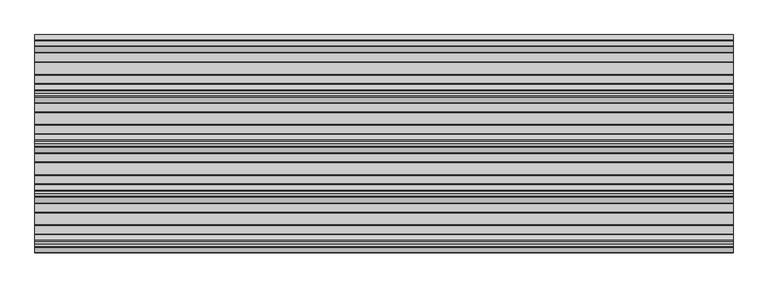
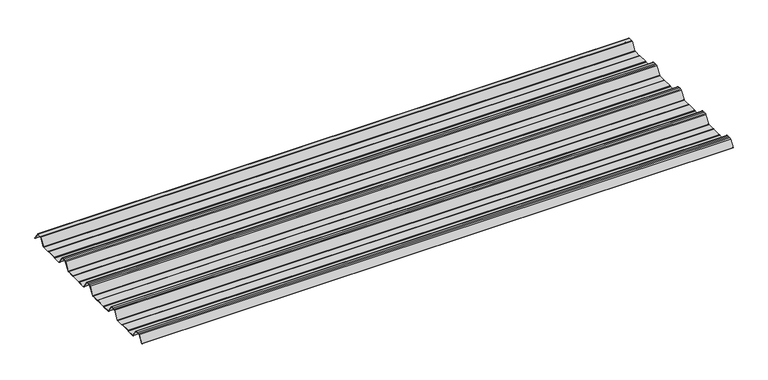
"""IFC4 building model written with IfcOpenShell, lengths in millimetres: beam geometry."""

from ifc_helpers import new_model, si_unit, point, frame, frame_2d, origin, place, context, project, spatial, polyline, circle_curve, trimmed, segment, composite_curve, outline, extrude, source, transform, mapped, element, save


def beam_8e176f82(model_context):
    return source(origin(), model_context, "Body", "SweptSolid", [
        extrude(outline(composite_curve([segment(trimmed(circle_curve(frame_2d((-42.8221294, -22.7927378)), 1.9969096), [point((-42.8221294, -24.7896475))], [point((-41.1570881, -23.8951378))], True, "CARTESIAN"), True, "CONTINUOUS"), segment(polyline([(-41.1570881, -23.8951378), (-15.2135106, 15.2894853)]), True, "CONTINUOUS"), segment(trimmed(circle_curve(frame_2d((-11.5, 12.6603525)), 4.55), [point((-15.2135106, 15.2894853))], [point((-11.5, 17.2103525))], False, "CARTESIAN"), True, "CONTINUOUS"), segment(polyline([(-11.5, 17.2103525), (11.5, 17.2103525)]), True, "CONTINUOUS"), segment(trimmed(circle_curve(frame_2d((11.5, 12.6603525)), 4.55), [point((11.5, 17.2103525))], [point((15.2135106, 15.2894853))], False, "CARTESIAN"), True, "CONTINUOUS"), segment(polyline([(15.2135106, 15.2894853), (40.2177712, -22.4764137)]), True, "CONTINUOUS"), segment(trimmed(circle_curve(frame_2d((39.8008667, -22.7524402)), 0.5), [point((40.2177712, -22.4764137))], [point((39.3839622, -23.0284667))], False, "CARTESIAN"), True, "CONTINUOUS"), segment(polyline([(39.3839622, -23.0284667), (14.3888612, 14.7235977)]), True, "CONTINUOUS"), segment(trimmed(circle_curve(frame_2d((11.5, 12.6603525)), 3.55), [point((14.3888612, 14.7235977))], [point((11.5, 16.2103525))], True, "CARTESIAN"), True, "CONTINUOUS"), segment(polyline([(11.5, 16.2103525), (-11.5, 16.2103525)]), True, "CONTINUOUS"), segment(trimmed(circle_curve(frame_2d((-11.5, 12.6603525)), 3.55), [point((-11.5, 16.2103525))], [point((-14.3888612, 14.7235977))], True, "CARTESIAN"), True, "CONTINUOUS"), segment(polyline([(-14.3888612, 14.7235977), (-40.3232791, -24.4471908)]), True, "CONTINUOUS"), segment(trimmed(circle_curve(frame_2d((-42.8221294, -22.7927378)), 2.9969096), [point((-40.3232791, -24.4471908))], [point((-42.8221294, -25.7896475))], False, "CARTESIAN"), True, "CONTINUOUS"), segment(polyline([(-42.8221294, -25.7896475), (-85.388552, -25.7896475)]), True, "CONTINUOUS"), segment(trimmed(circle_curve(frame_2d((-85.388552, -24.3396475)), 1.45), [point((-85.388552, -25.7896475))], [point((-86.3205937, -25.4504122))], False, "CARTESIAN"), True, "CONTINUOUS"), segment(polyline([(-86.3205937, -25.4504122), (-87.5888326, -24.386234)]), True, "CONTINUOUS"), segment(trimmed(circle_curve(frame_2d((-89.2279412, -26.3396487)), 2.5500012), [point((-87.5888326, -24.386234))], [point((-89.2279412, -23.7896475))], True, "CARTESIAN"), True, "CONTINUOUS"), segment(polyline([(-89.2279412, -23.7896475), (-143.2720588, -23.7896475)]), True, "CONTINUOUS"), segment(trimmed(circle_curve(frame_2d((-143.2720588, -26.3396487)), 2.5500012), [point((-143.2720588, -23.7896475))], [point((-144.9111674, -24.386234))], True, "CARTESIAN"), True, "CONTINUOUS"), segment(polyline([(-144.9111674, -24.386234), (-146.1794063, -25.4504122)]), True, "CONTINUOUS"), segment(trimmed(circle_curve(frame_2d((-147.111448, -24.3396475)), 1.45), [point((-146.1794063, -25.4504122))], [point((-147.111448, -25.7896475))], False, "CARTESIAN"), True, "CONTINUOUS"), segment(polyline([(-147.111448, -25.7896475), (-186.4999995, -25.7896475)]), True, "CONTINUOUS"), segment(trimmed(circle_curve(frame_2d((-186.4999995, -21.3396478)), 4.4499996), [point((-186.4999995, -25.7896475))], [point((-190.1531515, -23.8807062))], False, "CARTESIAN"), True, "CONTINUOUS"), segment(polyline([(-190.1531515, -23.8807062), (-216.4608773, 15.8539187)]), True, "CONTINUOUS"), segment(trimmed(circle_curve(frame_2d((-221.0, 12.6603525)), 5.55), [point((-216.4608773, 15.8539187))], [point((-221.0, 18.2103525))], True, "CARTESIAN"), True, "CONTINUOUS"), segment(polyline([(-221.0, 18.2103525), (-232.5, 18.2103525), (-244.0, 18.2103525)]), True, "CONTINUOUS"), segment(trimmed(circle_curve(frame_2d((-244.0, 12.6603525)), 5.55), [point((-244.0, 18.2103525))], [point((-248.5391227, 15.8539187))], True, "CARTESIAN"), True, "CONTINUOUS"), segment(polyline([(-248.5391227, 15.8539187), (-274.8468485, -23.8807062)]), True, "CONTINUOUS"), segment(trimmed(circle_curve(frame_2d((-278.5000005, -21.3396478)), 4.4499996), [point((-274.8468485, -23.8807062))], [point((-278.5000005, -25.7896475))], False, "CARTESIAN"), True, "CONTINUOUS"), segment(polyline([(-278.5000005, -25.7896475), (-317.888552, -25.7896475)]), True, "CONTINUOUS"), segment(trimmed(circle_curve(frame_2d((-317.888552, -24.3396475)), 1.45), [point((-317.888552, -25.7896475))], [point((-318.8205937, -25.4504122))], False, "CARTESIAN"), True, "CONTINUOUS"), segment(polyline([(-318.8205937, -25.4504122), (-320.0888326, -24.386234)]), True, "CONTINUOUS"), segment(trimmed(circle_curve(frame_2d((-321.7279412, -26.3396487)), 2.5500012), [point((-320.0888326, -24.386234))], [point((-321.7279412, -23.7896475))], True, "CARTESIAN"), True, "CONTINUOUS"), segment(polyline([(-321.7279412, -23.7896475), (-375.7720588, -23.7896475)]), True, "CONTINUOUS"), segment(trimmed(circle_curve(frame_2d((-375.7720588, -26.3396487)), 2.5500012), [point((-375.7720588, -23.7896475))], [point((-377.4111674, -24.386234))], True, "CARTESIAN"), True, "CONTINUOUS"), segment(polyline([(-377.4111674, -24.386234), (-378.6794063, -25.4504122)]), True, "CONTINUOUS"), segment(trimmed(circle_curve(frame_2d((-379.611448, -24.3396475)), 1.45), [point((-378.6794063, -25.4504122))], [point((-379.611448, -25.7896475))], False, "CARTESIAN"), True, "CONTINUOUS"), segment(polyline([(-379.611448, -25.7896475), (-418.9999995, -25.7896475)]), True, "CONTINUOUS"), segment(trimmed(circle_curve(frame_2d((-418.9999995, -21.3396478)), 4.4499996), [point((-418.9999995, -25.7896475))], [point((-422.6531515, -23.8807062))], False, "CARTESIAN"), True, "CONTINUOUS"), segment(polyline([(-422.6531515, -23.8807062), (-448.9608773, 15.8539187)]), True, "CONTINUOUS"), segment(trimmed(circle_curve(frame_2d((-453.5, 12.6603525)), 5.55), [point((-448.9608773, 15.8539187))], [point((-453.5, 18.2103525))], True, "CARTESIAN"), True, "CONTINUOUS"), segment(polyline([(-453.5, 18.2103525), (-465.0, 18.2103525), (-476.5, 18.2103525)]), True, "CONTINUOUS"), segment(trimmed(circle_curve(frame_2d((-476.5, 12.6603525)), 5.55), [point((-476.5, 18.2103525))], [point((-481.0391227, 15.8539187))], True, "CARTESIAN"), True, "CONTINUOUS"), segment(polyline([(-481.0391227, 15.8539187), (-507.3468485, -23.8807062)]), True, "CONTINUOUS"), segment(trimmed(circle_curve(frame_2d((-511.0000005, -21.3396478)), 4.4499996), [point((-507.3468485, -23.8807062))], [point((-511.0000005, -25.7896475))], False, "CARTESIAN"), True, "CONTINUOUS"), segment(polyline([(-511.0000005, -25.7896475), (-550.388552, -25.7896475)]), True, "CONTINUOUS"), segment(trimmed(circle_curve(frame_2d((-550.388552, -24.3396475)), 1.45), [point((-550.388552, -25.7896475))], [point((-551.3205937, -25.4504122))], False, "CARTESIAN"), True, "CONTINUOUS"), segment(polyline([(-551.3205937, -25.4504122), (-552.5888326, -24.386234)]), True, "CONTINUOUS"), segment(trimmed(circle_curve(frame_2d((-554.2279412, -26.3396487)), 2.5500012), [point((-552.5888326, -24.386234))], [point((-554.2279412, -23.7896475))], True, "CARTESIAN"), True, "CONTINUOUS"), segment(polyline([(-554.2279412, -23.7896475), (-608.2720588, -23.7896475)]), True, "CONTINUOUS"), segment(trimmed(circle_curve(frame_2d((-608.2720588, -26.3396487)), 2.5500012), [point((-608.2720588, -23.7896475))], [point((-609.9111674, -24.386234))], True, "CARTESIAN"), True, "CONTINUOUS"), segment(polyline([(-609.9111674, -24.386234), (-611.1794063, -25.4504122)]), True, "CONTINUOUS"), segment(trimmed(circle_curve(frame_2d((-612.111448, -24.3396475)), 1.45), [point((-611.1794063, -25.4504122))], [point((-612.111448, -25.7896475))], False, "CARTESIAN"), True, "CONTINUOUS"), segment(polyline([(-612.111448, -25.7896475), (-651.4999995, -25.7896475)]), True, "CONTINUOUS"), segment(trimmed(circle_curve(frame_2d((-651.4999995, -21.3396478)), 4.4499996), [point((-651.4999995, -25.7896475))], [point((-655.1531515, -23.8807062))], False, "CARTESIAN"), True, "CONTINUOUS"), segment(polyline([(-655.1531515, -23.8807062), (-681.4608773, 15.8539187)]), True, "CONTINUOUS"), segment(trimmed(circle_curve(frame_2d((-686.0, 12.6603525)), 5.55), [point((-681.4608773, 15.8539187))], [point((-686.0, 18.2103525))], True, "CARTESIAN"), True, "CONTINUOUS"), segment(polyline([(-686.0, 18.2103525), (-697.5, 18.2103525), (-709.0, 18.2103525)]), True, "CONTINUOUS"), segment(trimmed(circle_curve(frame_2d((-709.0, 12.6603525)), 5.55), [point((-709.0, 18.2103525))], [point((-713.5391227, 15.8539187))], True, "CARTESIAN"), True, "CONTINUOUS"), segment(polyline([(-713.5391227, 15.8539187), (-739.8468485, -23.8807062)]), True, "CONTINUOUS"), segment(trimmed(circle_curve(frame_2d((-743.5000005, -21.3396478)), 4.4499996), [point((-739.8468485, -23.8807062))], [point((-743.5000005, -25.7896475))], False, "CARTESIAN"), True, "CONTINUOUS"), segment(polyline([(-743.5000005, -25.7896475), (-782.888552, -25.7896475)]), True, "CONTINUOUS"), segment(trimmed(circle_curve(frame_2d((-782.888552, -24.3396475)), 1.45), [point((-782.888552, -25.7896475))], [point((-783.8205937, -25.4504122))], False, "CARTESIAN"), True, "CONTINUOUS"), segment(polyline([(-783.8205937, -25.4504122), (-785.0888326, -24.386234)]), True, "CONTINUOUS"), segment(trimmed(circle_curve(frame_2d((-786.7279412, -26.3396487)), 2.5500012), [point((-785.0888326, -24.386234))], [point((-786.7279412, -23.7896475))], True, "CARTESIAN"), True, "CONTINUOUS"), segment(polyline([(-786.7279412, -23.7896475), (-840.7720588, -23.7896475)]), True, "CONTINUOUS"), segment(trimmed(circle_curve(frame_2d((-840.7720588, -26.3396487)), 2.5500012), [point((-840.7720588, -23.7896475))], [point((-842.4111674, -24.386234))], True, "CARTESIAN"), True, "CONTINUOUS"), segment(polyline([(-842.4111674, -24.386234), (-843.6794063, -25.4504122)]), True, "CONTINUOUS"), segment(trimmed(circle_curve(frame_2d((-844.611448, -24.3396475)), 1.45), [point((-843.6794063, -25.4504122))], [point((-844.611448, -25.7896475))], False, "CARTESIAN"), True, "CONTINUOUS"), segment(polyline([(-844.611448, -25.7896475), (-883.9999995, -25.7896475)]), True, "CONTINUOUS"), segment(trimmed(circle_curve(frame_2d((-883.9999995, -21.3396478)), 4.4499996), [point((-883.9999995, -25.7896475))], [point((-887.6531515, -23.8807062))], False, "CARTESIAN"), True, "CONTINUOUS"), segment(polyline([(-887.6531515, -23.8807062), (-913.9608773, 15.8539187)]), True, "CONTINUOUS"), segment(trimmed(circle_curve(frame_2d((-918.5, 12.6603525)), 5.55), [point((-913.9608773, 15.8539187))], [point((-918.5, 18.2103525))], True, "CARTESIAN"), True, "CONTINUOUS"), segment(polyline([(-918.5, 18.2103525), (-930.0, 18.2103525), (-941.5, 18.2103525)]), True, "CONTINUOUS"), segment(trimmed(circle_curve(frame_2d((-941.5, 12.6603525)), 5.55), [point((-941.5, 18.2103525))], [point((-946.0391227, 15.8539187))], True, "CARTESIAN"), True, "CONTINUOUS"), segment(polyline([(-946.0391227, 15.8539187), (-969.9715304, -20.2930766)]), True, "CONTINUOUS"), segment(trimmed(circle_curve(frame_2d((-970.3884349, -20.0170501)), 0.5), [point((-969.9715304, -20.2930766))], [point((-970.8053395, -19.7410236))], False, "CARTESIAN"), True, "CONTINUOUS"), segment(polyline([(-970.8053395, -19.7410236), (-946.8654458, 16.4172784)]), True, "CONTINUOUS"), segment(trimmed(circle_curve(frame_2d((-941.5, 12.6603525)), 6.55), [point((-946.8654458, 16.4172784))], [point((-941.5, 19.2103525))], False, "CARTESIAN"), True, "CONTINUOUS"), segment(polyline([(-941.5, 19.2103525), (-930.0, 19.2103525), (-918.5, 19.2103525)]), True, "CONTINUOUS"), segment(trimmed(circle_curve(frame_2d((-918.5, 12.6603525)), 6.55), [point((-918.5, 19.2103525))], [point((-913.1345542, 16.4172784))], False, "CARTESIAN"), True, "CONTINUOUS"), segment(polyline([(-913.1345542, 16.4172784), (-886.8260739, -23.3184861)]), True, "CONTINUOUS"), segment(trimmed(circle_curve(frame_2d((-883.9999995, -21.3396478)), 3.4499996), [point((-886.8260739, -23.3184861))], [point((-883.9999995, -24.7896475))], True, "CARTESIAN"), True, "CONTINUOUS"), segment(polyline([(-883.9999995, -24.7896475), (-844.8915726, -24.7896475)]), True, "CONTINUOUS"), segment(trimmed(circle_curve(frame_2d((-844.8915726, -23.5700111)), 1.2196364), [point((-844.8915726, -24.7896475))], [point((-844.1076057, -24.504307))], True, "CARTESIAN"), True, "CONTINUOUS"), segment(polyline([(-844.1076057, -24.504307), (-843.0539548, -23.6201894)]), True, "CONTINUOUS"), segment(trimmed(circle_curve(frame_2d((-840.7720588, -26.3396487)), 3.5500012), [point((-843.0539548, -23.6201894))], [point((-840.7720588, -22.7896475))], False, "CARTESIAN"), True, "CONTINUOUS"), segment(polyline([(-840.7720588, -22.7896475), (-786.7279412, -22.7896475)]), True, "CONTINUOUS"), segment(trimmed(circle_curve(frame_2d((-786.7279412, -26.3396487)), 3.5500012), [point((-786.7279412, -22.7896475))], [point((-784.4460452, -23.6201894))], False, "CARTESIAN"), True, "CONTINUOUS"), segment(polyline([(-784.4460452, -23.6201894), (-783.3923943, -24.504307)]), True, "CONTINUOUS"), segment(trimmed(circle_curve(frame_2d((-782.6084274, -23.5700111)), 1.2196364), [point((-783.3923943, -24.504307))], [point((-782.6084274, -24.7896475))], True, "CARTESIAN"), True, "CONTINUOUS"), segment(polyline([(-782.6084274, -24.7896475), (-743.5000005, -24.7896475)]), True, "CONTINUOUS"), segment(trimmed(circle_curve(frame_2d((-743.5000005, -21.3396478)), 3.4499996), [point((-743.5000005, -24.7896475))], [point((-740.6739261, -23.3184861))], True, "CARTESIAN"), True, "CONTINUOUS"), segment(polyline([(-740.6739261, -23.3184861), (-714.3654458, 16.4172784)]), True, "CONTINUOUS"), segment(trimmed(circle_curve(frame_2d((-709.0, 12.6603525)), 6.55), [point((-714.3654458, 16.4172784))], [point((-709.0, 19.2103525))], False, "CARTESIAN"), True, "CONTINUOUS"), segment(polyline([(-709.0, 19.2103525), (-697.5, 19.2103525), (-686.0, 19.2103525)]), True, "CONTINUOUS"), segment(trimmed(circle_curve(frame_2d((-686.0, 12.6603525)), 6.55), [point((-686.0, 19.2103525))], [point((-680.6345542, 16.4172784))], False, "CARTESIAN"), True, "CONTINUOUS"), segment(polyline([(-680.6345542, 16.4172784), (-654.3260739, -23.3184861)]), True, "CONTINUOUS"), segment(trimmed(circle_curve(frame_2d((-651.4999995, -21.3396478)), 3.4499996), [point((-654.3260739, -23.3184861))], [point((-651.4999995, -24.7896475))], True, "CARTESIAN"), True, "CONTINUOUS"), segment(polyline([(-651.4999995, -24.7896475), (-612.3915726, -24.7896475)]), True, "CONTINUOUS"), segment(trimmed(circle_curve(frame_2d((-612.3915726, -23.5700111)), 1.2196364), [point((-612.3915726, -24.7896475))], [point((-611.6076057, -24.504307))], True, "CARTESIAN"), True, "CONTINUOUS"), segment(polyline([(-611.6076057, -24.504307), (-610.5539548, -23.6201894)]), True, "CONTINUOUS"), segment(trimmed(circle_curve(frame_2d((-608.2720588, -26.3396487)), 3.5500012), [point((-610.5539548, -23.6201894))], [point((-608.2720588, -22.7896475))], False, "CARTESIAN"), True, "CONTINUOUS"), segment(polyline([(-608.2720588, -22.7896475), (-554.2279412, -22.7896475)]), True, "CONTINUOUS"), segment(trimmed(circle_curve(frame_2d((-554.2279412, -26.3396487)), 3.5500012), [point((-554.2279412, -22.7896475))], [point((-551.9460452, -23.6201894))], False, "CARTESIAN"), True, "CONTINUOUS"), segment(polyline([(-551.9460452, -23.6201894), (-550.8923943, -24.504307)]), True, "CONTINUOUS"), segment(trimmed(circle_curve(frame_2d((-550.1084274, -23.5700111)), 1.2196364), [point((-550.8923943, -24.504307))], [point((-550.1084274, -24.7896475))], True, "CARTESIAN"), True, "CONTINUOUS"), segment(polyline([(-550.1084274, -24.7896475), (-511.0000005, -24.7896475)]), True, "CONTINUOUS"), segment(trimmed(circle_curve(frame_2d((-511.0000005, -21.3396478)), 3.4499996), [point((-511.0000005, -24.7896475))], [point((-508.1739261, -23.3184861))], True, "CARTESIAN"), True, "CONTINUOUS"), segment(polyline([(-508.1739261, -23.3184861), (-481.8654458, 16.4172784)]), True, "CONTINUOUS"), segment(trimmed(circle_curve(frame_2d((-476.5, 12.6603525)), 6.55), [point((-481.8654458, 16.4172784))], [point((-476.5, 19.2103525))], False, "CARTESIAN"), True, "CONTINUOUS"), segment(polyline([(-476.5, 19.2103525), (-465.0, 19.2103525), (-453.5, 19.2103525)]), True, "CONTINUOUS"), segment(trimmed(circle_curve(frame_2d((-453.5, 12.6603525)), 6.55), [point((-453.5, 19.2103525))], [point((-448.1345542, 16.4172784))], False, "CARTESIAN"), True, "CONTINUOUS"), segment(polyline([(-448.1345542, 16.4172784), (-421.8260739, -23.3184861)]), True, "CONTINUOUS"), segment(trimmed(circle_curve(frame_2d((-418.9999995, -21.3396478)), 3.4499996), [point((-421.8260739, -23.3184861))], [point((-418.9999995, -24.7896475))], True, "CARTESIAN"), True, "CONTINUOUS"), segment(polyline([(-418.9999995, -24.7896475), (-379.8915726, -24.7896475)]), True, "CONTINUOUS"), segment(trimmed(circle_curve(frame_2d((-379.8915726, -23.5700111)), 1.2196364), [point((-379.8915726, -24.7896475))], [point((-379.1076057, -24.504307))], True, "CARTESIAN"), True, "CONTINUOUS"), segment(polyline([(-379.1076057, -24.504307), (-378.0539548, -23.6201894)]), True, "CONTINUOUS"), segment(trimmed(circle_curve(frame_2d((-375.7720588, -26.3396487)), 3.5500012), [point((-378.0539548, -23.6201894))], [point((-375.7720588, -22.7896475))], False, "CARTESIAN"), True, "CONTINUOUS"), segment(polyline([(-375.7720588, -22.7896475), (-321.7279412, -22.7896475)]), True, "CONTINUOUS"), segment(trimmed(circle_curve(frame_2d((-321.7279412, -26.3396487)), 3.5500012), [point((-321.7279412, -22.7896475))], [point((-319.4460452, -23.6201894))], False, "CARTESIAN"), True, "CONTINUOUS"), segment(polyline([(-319.4460452, -23.6201894), (-318.3923943, -24.504307)]), True, "CONTINUOUS"), segment(trimmed(circle_curve(frame_2d((-317.6084274, -23.5700111)), 1.2196364), [point((-318.3923943, -24.504307))], [point((-317.6084274, -24.7896475))], True, "CARTESIAN"), True, "CONTINUOUS"), segment(polyline([(-317.6084274, -24.7896475), (-278.5000005, -24.7896475)]), True, "CONTINUOUS"), segment(trimmed(circle_curve(frame_2d((-278.5000005, -21.3396478)), 3.4499996), [point((-278.5000005, -24.7896475))], [point((-275.6739261, -23.3184861))], True, "CARTESIAN"), True, "CONTINUOUS"), segment(polyline([(-275.6739261, -23.3184861), (-249.3654458, 16.4172784)]), True, "CONTINUOUS"), segment(trimmed(circle_curve(frame_2d((-244.0, 12.6603525)), 6.55), [point((-249.3654458, 16.4172784))], [point((-244.0, 19.2103525))], False, "CARTESIAN"), True, "CONTINUOUS"), segment(polyline([(-244.0, 19.2103525), (-232.5, 19.2103525), (-221.0, 19.2103525)]), True, "CONTINUOUS"), segment(trimmed(circle_curve(frame_2d((-221.0, 12.6603525)), 6.55), [point((-221.0, 19.2103525))], [point((-215.6345542, 16.4172784))], False, "CARTESIAN"), True, "CONTINUOUS"), segment(polyline([(-215.6345542, 16.4172784), (-189.3260739, -23.3184861)]), True, "CONTINUOUS"), segment(trimmed(circle_curve(frame_2d((-186.4999995, -21.3396478)), 3.4499996), [point((-189.3260739, -23.3184861))], [point((-186.4999995, -24.7896475))], True, "CARTESIAN"), True, "CONTINUOUS"), segment(polyline([(-186.4999995, -24.7896475), (-147.3915726, -24.7896475)]), True, "CONTINUOUS"), segment(trimmed(circle_curve(frame_2d((-147.3915726, -23.5700111)), 1.2196364), [point((-147.3915726, -24.7896475))], [point((-146.6076057, -24.504307))], True, "CARTESIAN"), True, "CONTINUOUS"), segment(polyline([(-146.6076057, -24.504307), (-145.5539548, -23.6201894)]), True, "CONTINUOUS"), segment(trimmed(circle_curve(frame_2d((-143.2720588, -26.3396487)), 3.5500012), [point((-145.5539548, -23.6201894))], [point((-143.2720588, -22.7896475))], False, "CARTESIAN"), True, "CONTINUOUS"), segment(polyline([(-143.2720588, -22.7896475), (-89.2279412, -22.7896475)]), True, "CONTINUOUS"), segment(trimmed(circle_curve(frame_2d((-89.2279412, -26.3396487)), 3.5500012), [point((-89.2279412, -22.7896475))], [point((-86.9460452, -23.6201894))], False, "CARTESIAN"), True, "CONTINUOUS"), segment(polyline([(-86.9460452, -23.6201894), (-85.8923943, -24.504307)]), True, "CONTINUOUS"), segment(trimmed(circle_curve(frame_2d((-85.1084274, -23.5700111)), 1.2196364), [point((-85.8923943, -24.504307))], [point((-85.1084274, -24.7896475))], True, "CARTESIAN"), True, "CONTINUOUS"), segment(polyline([(-85.1084274, -24.7896475), (-42.8221294, -24.7896475)]), True, "CONTINUOUS")], self_intersect=False)), frame((-1615.4201823, 0.0, 0.0), z_axis=(1.0, 0.0, 0.0), x_axis=(0.0, 1.0, 0.0)), (0.0, 0.0, 1.0), 3230.8403647),
    ])


if __name__ == "__main__":
    model = new_model("IFC4")
    model_context = context("Model", 3, world=origin())
    ifc_project = project(units=[si_unit("LENGTHUNIT", "METRE", prefix="MILLI")], contexts=[model_context])
    site = spatial("IfcSite", under=ifc_project)
    building = spatial("IfcBuilding", under=site)
    placement = place(None, origin())
    beam_shape = beam_8e176f82(model_context)
    element("IfcBeam", 1, at=placement, inside=building, context=model_context, shape_type="MappedRepresentation", body=[
        mapped(beam_shape, transform((0.0, 0.0, 0.0), x_axis=(1.0, 0.0, 0.0), y_axis=(0.0, 1.0, 0.0), z_axis=(0.0, 0.0, 1.0))),
    ])
    save(model, "model.ifc")
